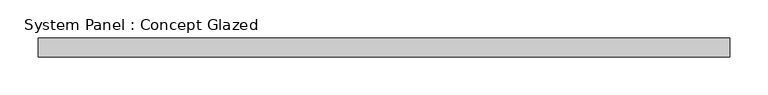
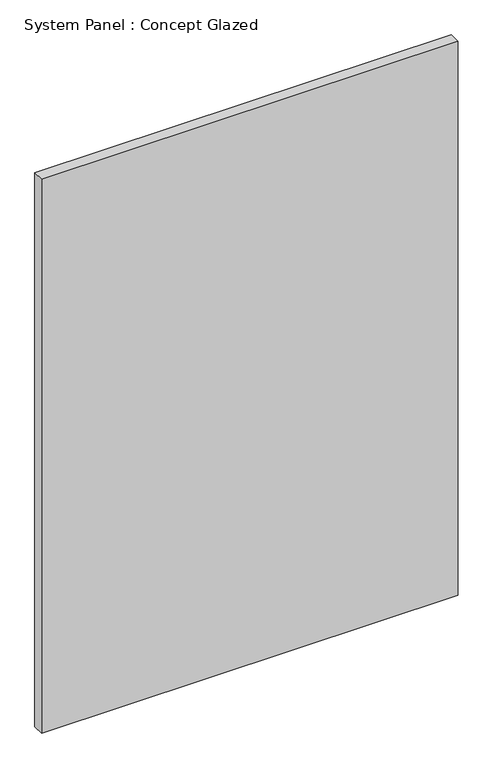
"""IFC4 building model written with IfcOpenShell, lengths in millimetres: plate geometry, System Panel : Concept Glazed."""

from ifc_helpers import new_model, si_unit, origin, origin_with_axes, place, context, project, spatial, polyline, outline, extrude, source, transform, mapped, element, save


def system_panel_concept_glazed_0e0842a7(model_context):
    return source(origin(), model_context, "Body", "SweptSolid", [
        extrude(outline(polyline([(455.0, 0.0), (-455.0, 0.0), (-455.0, 25.0), (455.0, 25.0), (455.0, 0.0)])), origin_with_axes(), (0.0, 0.0, 1.0), 1278.1058359),
    ])


if __name__ == "__main__":
    model = new_model("IFC4")
    model_context = context("Model", 3, world=origin())
    ifc_project = project(units=[si_unit("LENGTHUNIT", "METRE", prefix="MILLI")], contexts=[model_context])
    site = spatial("IfcSite", under=ifc_project)
    building = spatial("IfcBuilding", under=site)
    placement = place(None, origin())
    system_panel_concept_glazed_shape = system_panel_concept_glazed_0e0842a7(model_context)
    element("IfcPlate", 1, ObjectType="System Panel : Concept Glazed", at=placement, inside=building, context=model_context, shape_type="MappedRepresentation", body=[
        mapped(system_panel_concept_glazed_shape, transform((0.0, 0.0, 0.0), x_axis=(1.0, 0.0, 0.0), y_axis=(0.0, 1.0, 0.0), z_axis=(0.0, 0.0, 1.0))),
    ])
    save(model, "model.ifc")
